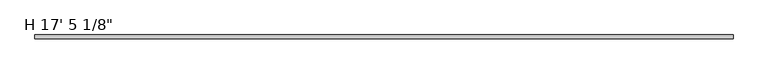
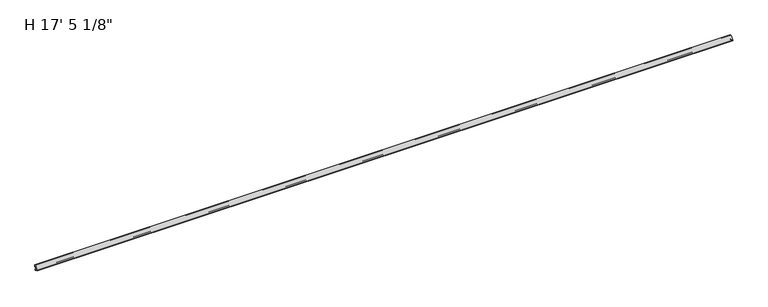
"""IFC4 building model written with IfcOpenShell, lengths in millimetres: proxy geometry."""

from ifc_helpers import new_model, si_unit, point, frame, frame_2d, origin, place, context, project, spatial, polyline, circle_curve, trimmed, segment, composite_curve, outline, extrude, source, transform, mapped, element, save


def proxy_d4d3b26b(model_context):
    return source(origin(), model_context, "Body", "SweptSolid", [
        extrude(outline(composite_curve([segment(polyline([(-9.9409866, 13.2079309), (-5.8977295, 11.6146251), (-5.8977295, 9.99082), (-5.5657997, 9.2789941), (-5.9337229, 8.5870312), (-5.5986989, 7.8345551), (-6.0051261, 7.0980568), (-5.5991801, 6.4224493), (-5.9294957, 5.7140853), (-5.5944321, 4.9955392), (-5.934397, 4.2664822), (-5.6042879, 3.5585611), (-5.9631778, 2.7889192), (-5.6321023, 2.0789255), (-5.9684988, 1.3575208), (-5.5808077, 0.6581076), (-6.1091347, 0.0)]), True, "CONTINUOUS"), segment(trimmed(circle_curve(frame_2d((-7.0030343, -1.113481)), 1.4278993), [point((-6.1091347, 0.0))], [point((-7.8893268, 0.0060645))], True, "CARTESIAN"), True, "CONTINUOUS"), segment(polyline([(-7.8893268, 0.0060645), (-8.1553262, 0.8894873), (-7.9862027, 1.6851507), (-8.1786509, 2.4848291), (-7.9880038, 3.3817532), (-8.1776372, 4.2927955), (-7.9834986, 5.0714427), (-8.1655958, 5.9462793), (-7.972318, 6.7214745), (-8.1398857, 7.5265082), (-7.9490433, 8.2919351), (-8.1699585, 9.0623577), (-7.9637322, 10.0325759), (-9.6959523, 10.0325759)]), True, "CONTINUOUS"), segment(trimmed(circle_curve(frame_2d((-11.2834506, 10.0348548)), 1.5875), [point((-9.6959523, 10.0325759))], [point((-11.2811717, 11.6223531))], True, "CARTESIAN"), True, "CONTINUOUS"), segment(polyline([(-11.2811717, 11.6223531), (-14.0370689, 11.6263093)]), True, "CONTINUOUS"), segment(trimmed(circle_curve(frame_2d((-15.6117367, 11.7195553)), 1.5774262), [point((-14.0370689, 11.6263093))], [point((-17.1866657, 11.6308306))], False, "CARTESIAN"), True, "CONTINUOUS"), segment(polyline([(-17.1866657, 11.6308306), (-21.7713609, 11.6374121)]), True, "CONTINUOUS"), segment(trimmed(circle_curve(frame_2d((-23.3461593, 11.6396728)), 1.5748), [point((-21.7713609, 11.6374121))], [point((-24.9209577, 11.6419334))], False, "CARTESIAN"), True, "CONTINUOUS"), segment(polyline([(-24.9209577, 11.6419334), (-28.661793, 11.6473035)]), True, "CONTINUOUS"), segment(trimmed(circle_curve(frame_2d((-0.0868224, 11.6062833)), 28.575), [point((-28.661793, 11.6473035))], [point((0.0, 40.1811514))], False, "CARTESIAN"), True, "CONTINUOUS"), segment(polyline([(0.0, 40.1811514), (0.0, 25.0974594)]), True, "CONTINUOUS"), segment(trimmed(circle_curve(frame_2d((-0.79502, 25.0974594)), 0.79502), [point((0.0, 25.0974594))], [point((-0.7961613, 24.3024403))], False, "CARTESIAN"), True, "CONTINUOUS"), segment(polyline([(-0.7961613, 24.3024403), (-2.0369875, 24.3042215), (-2.0369875, 25.2753318), (-1.8001518, 26.1592146), (-2.0369875, 27.0430975), (-1.8001518, 27.9269803), (-2.0782154, 28.964728)]), True, "CONTINUOUS"), segment(trimmed(circle_curve(frame_2d((-3.1778658, 25.8587375)), 3.2949063), [point((-2.0782154, 28.964728))], [point((-4.3772219, 28.9276058))], True, "CARTESIAN"), True, "CONTINUOUS"), segment(polyline([(-4.3772219, 28.9276058), (-4.6453387, 27.9269803), (-4.408503, 27.0430975), (-4.6453387, 26.1592146), (-4.408503, 25.2753318), (-4.408503, 24.3218465)]), True, "CONTINUOUS"), segment(trimmed(circle_curve(frame_2d((-4.6497232, 25.6652219)), 1.3648606), [point((-4.408503, 24.3218465))], [point((-5.8942106, 25.1047795))], False, "CARTESIAN"), True, "CONTINUOUS"), segment(polyline([(-5.8942106, 25.1047795), (-5.8886785, 28.9585271)]), True, "CONTINUOUS"), segment(trimmed(circle_curve(frame_2d((-4.3011801, 28.9562482)), 1.5875), [point((-5.8886785, 28.9585271))], [point((-4.8423977, 30.4486422))], False, "CARTESIAN"), True, "CONTINUOUS"), segment(trimmed(circle_curve(frame_2d((-3.1778658, 25.8587375)), 4.8824063), [point((-4.8423977, 30.4486422))], [point((-3.2187765, 30.7409724))], False, "CARTESIAN"), True, "CONTINUOUS"), segment(trimmed(circle_curve(frame_2d((-3.2320785, 32.3284167)), 1.5875), [point((-3.2187765, 30.7409724))], [point((-1.6445801, 32.3261378))], True, "CARTESIAN"), True, "CONTINUOUS"), segment(polyline([(-1.6445801, 32.3261378), (-1.6381444, 36.8093175)]), True, "CONTINUOUS"), segment(trimmed(circle_curve(frame_2d((-3.2256427, 36.8115964)), 1.5875), [point((-1.6381444, 36.8093175))], [point((-3.421819, 38.3869285))], True, "CARTESIAN"), True, "CONTINUOUS"), segment(trimmed(circle_curve(frame_2d((-0.0868224, 11.6062833)), 26.9875), [point((-3.421819, 38.3869285))], [point((-26.8577822, 15.0181548))], True, "CARTESIAN"), True, "CONTINUOUS"), segment(trimmed(circle_curve(frame_2d((-25.2830199, 14.8174564)), 1.5875), [point((-26.8577822, 15.0181548))], [point((-25.2852988, 13.2299581))], True, "CARTESIAN"), True, "CONTINUOUS"), segment(polyline([(-25.2852988, 13.2299581), (-9.9409866, 13.2079309)]), True, "CONTINUOUS")], self_intersect=False)), frame((0.0, 0.0, 0.0), z_axis=(1.0, 0.0, 0.0), x_axis=(0.0, 1.0, 0.0)), (0.0, 0.0, 1.0), 5311.775),
    ])


if __name__ == "__main__":
    model = new_model("IFC4")
    model_context = context("Model", 3, world=origin())
    ifc_project = project(units=[si_unit("LENGTHUNIT", "METRE", prefix="MILLI")], contexts=[model_context])
    site = spatial("IfcSite", under=ifc_project)
    building = spatial("IfcBuilding", under=site)
    placement = place(None, origin())
    proxy_shape = proxy_d4d3b26b(model_context)
    element("IfcBuildingElementProxy", 1, Name="H 17' 5 1/8\"", ObjectType="H 17' 5 1/8\"", at=placement, inside=building, context=model_context, shape_type="MappedRepresentation", body=[
        mapped(proxy_shape, transform((0.0, 0.0, 0.0), x_axis=(1.0, 0.0, 0.0), y_axis=(0.0, 1.0, 0.0), z_axis=(0.0, 0.0, 1.0))),
    ])
    save(model, "model.ifc")
